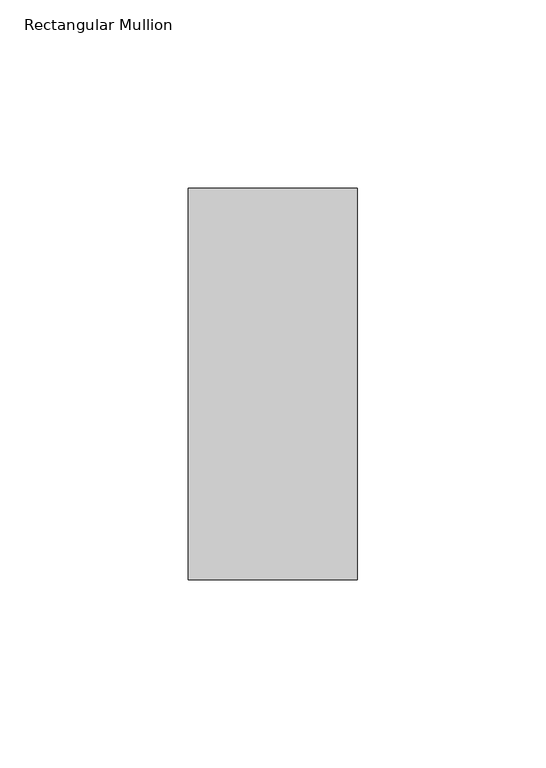
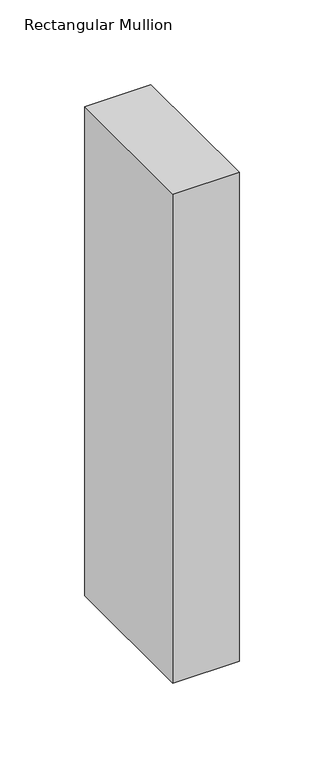
"""IFC4 building model written with IfcOpenShell, lengths in millimetres: member geometry, Rectangular Mullion."""

import ifcopenshell
import ifcopenshell.guid

model = None  # the IFC model being written
_history = None  # IfcOwnerHistory: only IFC2X3 demands one
_inside = {}  # id of a spatial element -> (the spatial element, [elements in it])
_under = {}  # id of a project, library or spatial element -> (it, [spatial elements below it])
_declared = {}  # id of a project -> (the project, [libraries it declares])
_typed = {}  # id of a type object -> (the type object, [elements of that type])
_made_of = {}  # id of a material, layer set ... -> (it, [elements and type objects made of it])


def new_model(schema):
    """Start an empty IFC model of exactly this schema.

    Asked for "IFC4X3", IfcOpenShell would pick the latest addendum, in which some entities
    have other attributes; the version numbers below select the first issue.
    IFC2X3 requires an IfcOwnerHistory on every rooted entity: one is made here for all.
    """
    global model, _history
    if schema == "IFC4X3":
        model = ifcopenshell.file(schema_version=(4, 3, 0, 0))
    else:
        model = ifcopenshell.file(schema=schema)
    _inside.clear()
    _under.clear()
    _declared.clear()
    _typed.clear()
    _made_of.clear()
    _history = None
    if model.schema == "IFC2X3":
        org = make("IfcOrganization", Name="unknown")
        user = make(
            "IfcPersonAndOrganization",
            ThePerson=make("IfcPerson", FamilyName="unknown"),
            TheOrganization=org,
        )
        app = make(
            "IfcApplication",
            ApplicationDeveloper=org,
            Version="unknown",
            ApplicationFullName="unknown",
            ApplicationIdentifier="unknown",
        )
        _history = make(
            "IfcOwnerHistory",
            OwningUser=user,
            OwningApplication=app,
            ChangeAction="ADDED",
            CreationDate=0,
        )
    return model


def make(cls, **values):
    """One entity of the class cls with the attributes given. An attribute that is None is left unset."""
    return model.create_entity(
        cls, **{name: value for name, value in values.items() if value is not None}
    )


def rooted(cls, **values):
    """An entity with a GlobalId (a new one), such as an element, a storey or a relation."""
    return make(cls, GlobalId=ifcopenshell.guid.new(), OwnerHistory=_history, **values)


def si_unit(unit_type, name, prefix=None):
    """IfcSIUnit, for example si_unit("LENGTHUNIT", "METRE", prefix="MILLI")."""
    return make("IfcSIUnit", UnitType=unit_type, Prefix=prefix, Name=name)


def assignment(units):
    """IfcUnitAssignment: the units of a project."""
    return None if units is None else make("IfcUnitAssignment", Units=units)


def point(xyz):
    """IfcCartesianPoint."""
    return None if xyz is None else make("IfcCartesianPoint", Coordinates=xyz)


def direction(xyz):
    """IfcDirection."""
    return None if xyz is None else make("IfcDirection", DirectionRatios=xyz)


def frame(location, z_axis=None, x_axis=None):
    """IfcAxis2Placement3D, a coordinate frame: its origin and axes. An axis left out is left unset."""
    return make(
        "IfcAxis2Placement3D",
        Location=point(location),
        Axis=direction(z_axis),
        RefDirection=direction(x_axis),
    )


def origin():
    """The frame at (0, 0, 0) with its axes left unset."""
    return frame((0.0, 0.0, 0.0))


def place(relative_to, where):
    """IfcLocalPlacement: puts the frame where relative to a parent placement (None: the world)."""
    return make(
        "IfcLocalPlacement", PlacementRelTo=relative_to, RelativePlacement=where
    )


def context(
    kind, dimensions, precision=None, world=None, true_north=None, identifier=None
):
    """IfcGeometricRepresentationContext, for example the 3D "Model" context."""
    return make(
        "IfcGeometricRepresentationContext",
        ContextIdentifier=identifier,
        ContextType=kind,
        CoordinateSpaceDimension=dimensions,
        Precision=precision,
        WorldCoordinateSystem=world,
        TrueNorth=true_north,
    )


def project(units=None, contexts=None):
    """IfcProject with its units and contexts."""
    return rooted(
        "IfcProject",
        Name="project",
        RepresentationContexts=contexts,
        UnitsInContext=assignment(units),
    )


def spatial(cls, under=None, at=None, **own):
    """A site, building, storey or space (cls), placed at a placement, below another one or the project."""
    s = rooted(cls, ObjectPlacement=at, **own)
    if under is not None:
        _under.setdefault(under.id(), (under, []))[1].append(s)
    return s


def polyline(points):
    """IfcPolyline through the points."""
    return make("IfcPolyline", Points=[point(p) for p in points])


def outline(outer, holes=None, kind="AREA"):
    """IfcArbitraryClosedProfileDef: a profile drawn as a closed curve; with holes, ...WithVoids."""
    if holes is None:
        return make("IfcArbitraryClosedProfileDef", ProfileType=kind, OuterCurve=outer)
    return make(
        "IfcArbitraryProfileDefWithVoids",
        ProfileType=kind,
        OuterCurve=outer,
        InnerCurves=holes,
    )


def extrude(swept, where, along, depth):
    """IfcExtrudedAreaSolid: the profile swept, set in the frame where, extruded along a direction by depth."""
    return make(
        "IfcExtrudedAreaSolid",
        SweptArea=swept,
        Position=where,
        ExtrudedDirection=direction(along),
        Depth=depth,
    )


def shape(context_of_items, identifier, shape_type, items):
    """IfcShapeRepresentation: the items that make up one representation, for example the "Body"."""
    return make(
        "IfcShapeRepresentation",
        ContextOfItems=context_of_items,
        RepresentationIdentifier=identifier,
        RepresentationType=shape_type,
        Items=items,
    )


def source(mapping_origin, context_of_items, identifier, shape_type, items):
    """IfcRepresentationMap: a shape defined once, which mapped items show again and again."""
    return make(
        "IfcRepresentationMap",
        MappingOrigin=mapping_origin,
        MappedRepresentation=shape(context_of_items, identifier, shape_type, items),
    )


def transform(
    local_origin,
    x_axis=None,
    y_axis=None,
    z_axis=None,
    scale=None,
    scale2=None,
    scale3=None,
    uniform=True,
):
    """IfcCartesianTransformationOperator3D, or its non-uniform kind. x_axis, y_axis, z_axis: its Axis1, 2, 3."""
    if uniform:
        return make(
            "IfcCartesianTransformationOperator3D",
            Axis1=direction(x_axis),
            Axis2=direction(y_axis),
            LocalOrigin=point(local_origin),
            Scale=scale,
            Axis3=direction(z_axis),
        )
    return make(
        "IfcCartesianTransformationOperator3DnonUniform",
        Axis1=direction(x_axis),
        Axis2=direction(y_axis),
        LocalOrigin=point(local_origin),
        Scale=scale,
        Axis3=direction(z_axis),
        Scale2=scale2,
        Scale3=scale3,
    )


def mapped(mapping_source, mapping_target):
    """IfcMappedItem: shows the shape of a source again, moved by a transform."""
    return make(
        "IfcMappedItem", MappingSource=mapping_source, MappingTarget=mapping_target
    )


def made_of(thing, what):
    """Note that an element or type object is made of a material, layer set ...; save() writes the relation."""
    if what is not None:
        _made_of.setdefault(what.id(), (what, []))[1].append(thing)
    return thing


def element(
    cls,
    number,
    at=None,
    inside=None,
    cuts=None,
    type_object=None,
    material=None,
    context=None,
    identifier="Body",
    shape_type=None,
    held_by="IfcProductDefinitionShape",
    body=None,
    shapes=None,
    **own,
):
    """One element of the class cls, such as IfcWall. Its Tag is "e" and its number.

    at: its placement. inside: the storey or other place that contains it. cuts: it is an
    opening in that element (IfcRelVoidsElement). A single representation is given by context,
    identifier, shape_type and body (its items); several are given by shapes. held_by: the class
    of the entity that holds the representations. save() writes the other relations.
    """
    e = rooted(cls, Tag="e%d" % number, ObjectPlacement=at, **own)
    if body is not None:
        shapes = [shape(context, identifier, shape_type, body)]
    if shapes is not None:
        e.Representation = make(held_by, Representations=shapes)
    if inside is not None:
        _inside.setdefault(inside.id(), (inside, []))[1].append(e)
    if cuts is not None:
        rooted(
            "IfcRelVoidsElement", RelatingBuildingElement=cuts, RelatedOpeningElement=e
        )
    if type_object is not None:
        _typed.setdefault(type_object.id(), (type_object, []))[1].append(e)
    return made_of(e, material)


def aggregate(whole, parts):
    """IfcRelAggregates: a whole, such as a stair, and the parts it consists of."""
    return rooted("IfcRelAggregates", RelatingObject=whole, RelatedObjects=parts)


def save(model, path):
    """Write the relations noted so far, then the file.

    IfcRelAggregates (storeys below a building ...), IfcRelContainedInSpatialStructure (elements
    in a storey), IfcRelDefinesByType, IfcRelAssociatesMaterial and IfcRelDeclares: one each for
    every whole, place, type object, material and project.
    """
    for whole, parts in _under.values():
        aggregate(whole, parts)
    for where, things in _inside.values():
        rooted(
            "IfcRelContainedInSpatialStructure",
            RelatedElements=things,
            RelatingStructure=where,
        )
    for kind, things in _typed.values():
        rooted("IfcRelDefinesByType", RelatedObjects=things, RelatingType=kind)
    for what, things in _made_of.values():
        rooted("IfcRelAssociatesMaterial", RelatedObjects=things, RelatingMaterial=what)
    for by, libraries in _declared.values():
        rooted("IfcRelDeclares", RelatingContext=by, RelatedDefinitions=libraries)
    model.write(path)


def rectangular_mullion_4f4af720(model_context):
    return source(origin(), model_context, "Body", "SweptSolid", [
        extrude(outline(polyline([(-45.0, 67.525), (0.0, 67.525), (0.0, -36.525), (-45.0, -36.525), (-45.0, 67.525)])), frame((0.0, 0.0, -352.1429689), z_axis=(0.0, 0.0, 1.0), x_axis=(1.0, 0.0, 0.0)), (0.0, 0.0, 1.0), 352.1429689),
    ])


if __name__ == "__main__":
    model = new_model("IFC4")
    model_context = context("Model", 3, world=origin())
    ifc_project = project(units=[si_unit("LENGTHUNIT", "METRE", prefix="MILLI")], contexts=[model_context])
    site = spatial("IfcSite", under=ifc_project)
    building = spatial("IfcBuilding", under=site)
    placement = place(None, origin())
    rectangular_mullion_shape = rectangular_mullion_4f4af720(model_context)
    element("IfcMember", 1, ObjectType="Rectangular Mullion", at=placement, inside=building, context=model_context, shape_type="MappedRepresentation", body=[
        mapped(rectangular_mullion_shape, transform((0.0, 0.0, 0.0), x_axis=(1.0, 0.0, 0.0), y_axis=(0.0, 1.0, 0.0), z_axis=(0.0, 0.0, 1.0))),
    ])
    save(model, "model.ifc")
